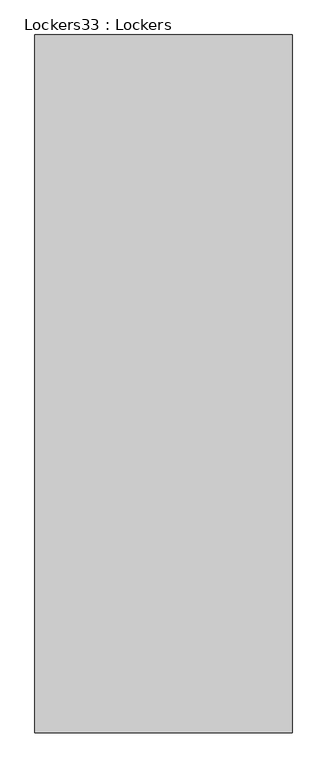
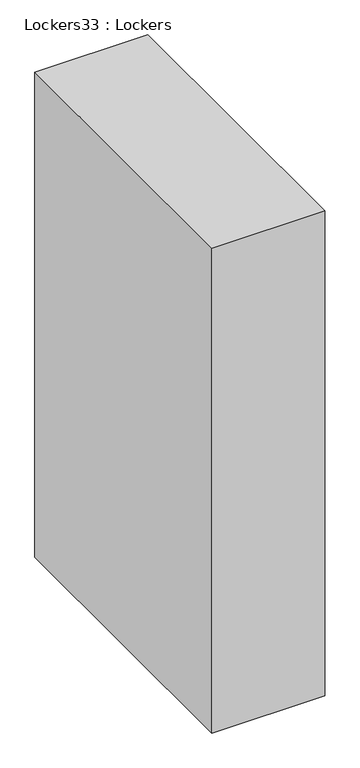
"""IFC4 building model written with IfcOpenShell, lengths in millimetres: furniture geometry, Lockers33 : Lockers."""

from ifc_helpers import new_model, si_unit, origin, origin_with_axes, place, context, project, spatial, polyline, outline, extrude, source, transform, mapped, element, save


def lockers33_lockers_ea7da85a(model_context):
    return source(origin(), model_context, "Body", "SweptSolid", [
        extrude(outline(polyline([(-565259.3932805, -59375.6646139), (-564856.8823022, -59375.6646139), (-564856.8823022, -60468.4182537), (-565259.3932805, -60468.4182537), (-565259.3932805, -59375.6646139)])), origin_with_axes(), (0.0, 0.0, 1.0), 1828.8),
    ])


if __name__ == "__main__":
    model = new_model("IFC4")
    model_context = context("Model", 3, world=origin())
    ifc_project = project(units=[si_unit("LENGTHUNIT", "METRE", prefix="MILLI")], contexts=[model_context])
    site = spatial("IfcSite", under=ifc_project)
    building = spatial("IfcBuilding", under=site)
    placement = place(None, origin())
    lockers33_lockers_shape = lockers33_lockers_ea7da85a(model_context)
    element("IfcFurniture", 1, ObjectType="Lockers33 : Lockers", at=placement, inside=building, context=model_context, shape_type="MappedRepresentation", body=[
        mapped(lockers33_lockers_shape, transform((0.0, 0.0, 0.0), x_axis=(1.0, 0.0, 0.0), y_axis=(0.0, 1.0, 0.0), z_axis=(0.0, 0.0, 1.0))),
    ])
    save(model, "model.ifc")
